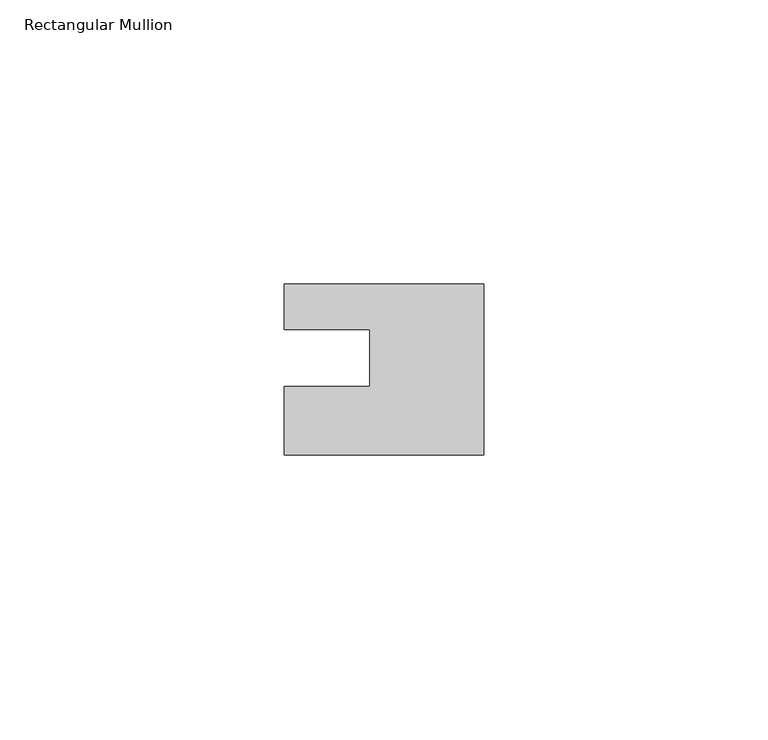
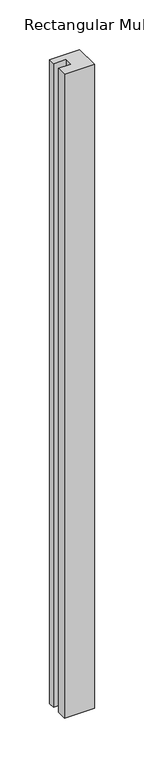
"""IFC4 building model written with IfcOpenShell, lengths in millimetres: member geometry, Rectangular Mullion."""

from ifc_helpers import new_model, si_unit, frame, origin, place, context, project, spatial, polyline, outline, extrude, source, transform, mapped, element, save


def rectangular_mullion_b5d40236(model_context):
    return source(origin(), model_context, "Body", "SweptSolid", [
        extrude(outline(polyline([(0.0, 7.94), (0.0, -22.06), (-35.0, -22.06), (-35.0, -10.0), (-20.0, -10.0), (-20.0, 0.001), (-35.0, 0.001), (-35.0, 7.94), (0.0, 7.94)])), frame((0.0, 0.0, -792.0), z_axis=(0.0, 0.0, 1.0), x_axis=(1.0, 0.0, 0.0)), (0.0, 0.0, 1.0), 792.0),
    ])


if __name__ == "__main__":
    model = new_model("IFC4")
    model_context = context("Model", 3, world=origin())
    ifc_project = project(units=[si_unit("LENGTHUNIT", "METRE", prefix="MILLI")], contexts=[model_context])
    site = spatial("IfcSite", under=ifc_project)
    building = spatial("IfcBuilding", under=site)
    placement = place(None, origin())
    rectangular_mullion_shape = rectangular_mullion_b5d40236(model_context)
    element("IfcMember", 1, ObjectType="Rectangular Mullion", at=placement, inside=building, context=model_context, shape_type="MappedRepresentation", body=[
        mapped(rectangular_mullion_shape, transform((0.0, 0.0, 0.0), x_axis=(1.0, 0.0, 0.0), y_axis=(0.0, 1.0, 0.0), z_axis=(0.0, 0.0, 1.0))),
    ])
    save(model, "model.ifc")
